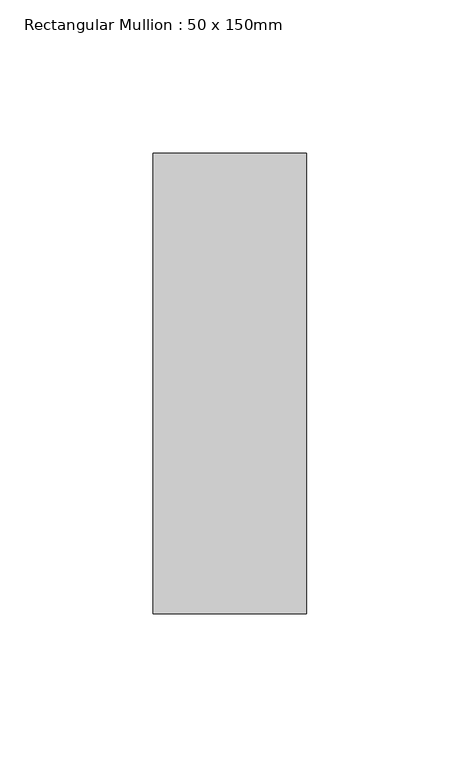
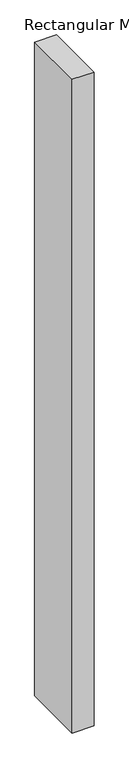
"""IFC4 building model written with IfcOpenShell, lengths in millimetres: member geometry, Rectangular Mullion : 50 x 150mm."""

from ifc_helpers import new_model, si_unit, frame, origin, place, context, project, spatial, polyline, outline, extrude, source, transform, mapped, element, save


def rectangular_mullion_50_x_150mm_acac0462(model_context):
    return source(origin(), model_context, "Body", "SweptSolid", [
        extrude(outline(polyline([(25.0, 75.0), (25.0, -75.0), (-25.0, -75.0), (-25.0, 75.0), (25.0, 75.0)])), frame((0.0, 0.0, -1593.2911245), z_axis=(0.0, 0.0, 1.0), x_axis=(1.0, 0.0, 0.0)), (0.0, 0.0, 1.0), 1593.2911245),
    ])


if __name__ == "__main__":
    model = new_model("IFC4")
    model_context = context("Model", 3, world=origin())
    ifc_project = project(units=[si_unit("LENGTHUNIT", "METRE", prefix="MILLI")], contexts=[model_context])
    site = spatial("IfcSite", under=ifc_project)
    building = spatial("IfcBuilding", under=site)
    placement = place(None, origin())
    rectangular_mullion_50_x_150mm_shape = rectangular_mullion_50_x_150mm_acac0462(model_context)
    element("IfcMember", 1, ObjectType="Rectangular Mullion : 50 x 150mm", at=placement, inside=building, context=model_context, shape_type="MappedRepresentation", body=[
        mapped(rectangular_mullion_50_x_150mm_shape, transform((0.0, 0.0, 0.0), x_axis=(1.0, 0.0, 0.0), y_axis=(0.0, 1.0, 0.0), z_axis=(0.0, 0.0, 1.0))),
    ])
    save(model, "model.ifc")
